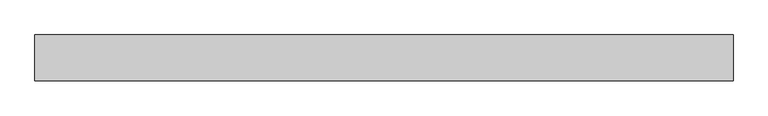
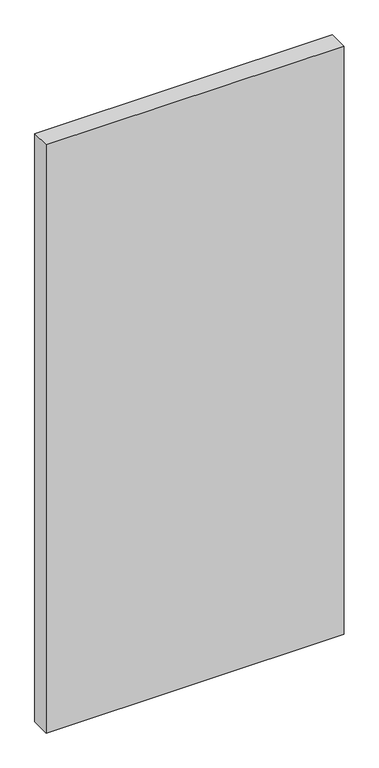
"""IFC4 building model written with IfcOpenShell, lengths in millimetres: proxy geometry."""

import ifcopenshell
import ifcopenshell.guid

model = None  # the IFC model being written
_history = None  # IfcOwnerHistory: only IFC2X3 demands one
_inside = {}  # id of a spatial element -> (the spatial element, [elements in it])
_under = {}  # id of a project, library or spatial element -> (it, [spatial elements below it])
_declared = {}  # id of a project -> (the project, [libraries it declares])
_typed = {}  # id of a type object -> (the type object, [elements of that type])
_made_of = {}  # id of a material, layer set ... -> (it, [elements and type objects made of it])


def new_model(schema):
    """Start an empty IFC model of exactly this schema.

    Asked for "IFC4X3", IfcOpenShell would pick the latest addendum, in which some entities
    have other attributes; the version numbers below select the first issue.
    IFC2X3 requires an IfcOwnerHistory on every rooted entity: one is made here for all.
    """
    global model, _history
    if schema == "IFC4X3":
        model = ifcopenshell.file(schema_version=(4, 3, 0, 0))
    else:
        model = ifcopenshell.file(schema=schema)
    _inside.clear()
    _under.clear()
    _declared.clear()
    _typed.clear()
    _made_of.clear()
    _history = None
    if model.schema == "IFC2X3":
        org = make("IfcOrganization", Name="unknown")
        user = make(
            "IfcPersonAndOrganization",
            ThePerson=make("IfcPerson", FamilyName="unknown"),
            TheOrganization=org,
        )
        app = make(
            "IfcApplication",
            ApplicationDeveloper=org,
            Version="unknown",
            ApplicationFullName="unknown",
            ApplicationIdentifier="unknown",
        )
        _history = make(
            "IfcOwnerHistory",
            OwningUser=user,
            OwningApplication=app,
            ChangeAction="ADDED",
            CreationDate=0,
        )
    return model


def make(cls, **values):
    """One entity of the class cls with the attributes given. An attribute that is None is left unset."""
    return model.create_entity(
        cls, **{name: value for name, value in values.items() if value is not None}
    )


def rooted(cls, **values):
    """An entity with a GlobalId (a new one), such as an element, a storey or a relation."""
    return make(cls, GlobalId=ifcopenshell.guid.new(), OwnerHistory=_history, **values)


def si_unit(unit_type, name, prefix=None):
    """IfcSIUnit, for example si_unit("LENGTHUNIT", "METRE", prefix="MILLI")."""
    return make("IfcSIUnit", UnitType=unit_type, Prefix=prefix, Name=name)


def assignment(units):
    """IfcUnitAssignment: the units of a project."""
    return None if units is None else make("IfcUnitAssignment", Units=units)


def point(xyz):
    """IfcCartesianPoint."""
    return None if xyz is None else make("IfcCartesianPoint", Coordinates=xyz)


def direction(xyz):
    """IfcDirection."""
    return None if xyz is None else make("IfcDirection", DirectionRatios=xyz)


def frame(location, z_axis=None, x_axis=None):
    """IfcAxis2Placement3D, a coordinate frame: its origin and axes. An axis left out is left unset."""
    return make(
        "IfcAxis2Placement3D",
        Location=point(location),
        Axis=direction(z_axis),
        RefDirection=direction(x_axis),
    )


def origin():
    """The frame at (0, 0, 0) with its axes left unset."""
    return frame((0.0, 0.0, 0.0))


def origin_with_axes():
    """The frame at (0, 0, 0) with the z axis (0, 0, 1) and the x axis (1, 0, 0) written out."""
    return frame((0.0, 0.0, 0.0), z_axis=(0.0, 0.0, 1.0), x_axis=(1.0, 0.0, 0.0))


def place(relative_to, where):
    """IfcLocalPlacement: puts the frame where relative to a parent placement (None: the world)."""
    return make(
        "IfcLocalPlacement", PlacementRelTo=relative_to, RelativePlacement=where
    )


def context(
    kind, dimensions, precision=None, world=None, true_north=None, identifier=None
):
    """IfcGeometricRepresentationContext, for example the 3D "Model" context."""
    return make(
        "IfcGeometricRepresentationContext",
        ContextIdentifier=identifier,
        ContextType=kind,
        CoordinateSpaceDimension=dimensions,
        Precision=precision,
        WorldCoordinateSystem=world,
        TrueNorth=true_north,
    )


def project(units=None, contexts=None):
    """IfcProject with its units and contexts."""
    return rooted(
        "IfcProject",
        Name="project",
        RepresentationContexts=contexts,
        UnitsInContext=assignment(units),
    )


def spatial(cls, under=None, at=None, **own):
    """A site, building, storey or space (cls), placed at a placement, below another one or the project."""
    s = rooted(cls, ObjectPlacement=at, **own)
    if under is not None:
        _under.setdefault(under.id(), (under, []))[1].append(s)
    return s


def polyline(points):
    """IfcPolyline through the points."""
    return make("IfcPolyline", Points=[point(p) for p in points])


def outline(outer, holes=None, kind="AREA"):
    """IfcArbitraryClosedProfileDef: a profile drawn as a closed curve; with holes, ...WithVoids."""
    if holes is None:
        return make("IfcArbitraryClosedProfileDef", ProfileType=kind, OuterCurve=outer)
    return make(
        "IfcArbitraryProfileDefWithVoids",
        ProfileType=kind,
        OuterCurve=outer,
        InnerCurves=holes,
    )


def extrude(swept, where, along, depth):
    """IfcExtrudedAreaSolid: the profile swept, set in the frame where, extruded along a direction by depth."""
    return make(
        "IfcExtrudedAreaSolid",
        SweptArea=swept,
        Position=where,
        ExtrudedDirection=direction(along),
        Depth=depth,
    )


def shape(context_of_items, identifier, shape_type, items):
    """IfcShapeRepresentation: the items that make up one representation, for example the "Body"."""
    return make(
        "IfcShapeRepresentation",
        ContextOfItems=context_of_items,
        RepresentationIdentifier=identifier,
        RepresentationType=shape_type,
        Items=items,
    )


def source(mapping_origin, context_of_items, identifier, shape_type, items):
    """IfcRepresentationMap: a shape defined once, which mapped items show again and again."""
    return make(
        "IfcRepresentationMap",
        MappingOrigin=mapping_origin,
        MappedRepresentation=shape(context_of_items, identifier, shape_type, items),
    )


def transform(
    local_origin,
    x_axis=None,
    y_axis=None,
    z_axis=None,
    scale=None,
    scale2=None,
    scale3=None,
    uniform=True,
):
    """IfcCartesianTransformationOperator3D, or its non-uniform kind. x_axis, y_axis, z_axis: its Axis1, 2, 3."""
    if uniform:
        return make(
            "IfcCartesianTransformationOperator3D",
            Axis1=direction(x_axis),
            Axis2=direction(y_axis),
            LocalOrigin=point(local_origin),
            Scale=scale,
            Axis3=direction(z_axis),
        )
    return make(
        "IfcCartesianTransformationOperator3DnonUniform",
        Axis1=direction(x_axis),
        Axis2=direction(y_axis),
        LocalOrigin=point(local_origin),
        Scale=scale,
        Axis3=direction(z_axis),
        Scale2=scale2,
        Scale3=scale3,
    )


def mapped(mapping_source, mapping_target):
    """IfcMappedItem: shows the shape of a source again, moved by a transform."""
    return make(
        "IfcMappedItem", MappingSource=mapping_source, MappingTarget=mapping_target
    )


def made_of(thing, what):
    """Note that an element or type object is made of a material, layer set ...; save() writes the relation."""
    if what is not None:
        _made_of.setdefault(what.id(), (what, []))[1].append(thing)
    return thing


def element(
    cls,
    number,
    at=None,
    inside=None,
    cuts=None,
    type_object=None,
    material=None,
    context=None,
    identifier="Body",
    shape_type=None,
    held_by="IfcProductDefinitionShape",
    body=None,
    shapes=None,
    **own,
):
    """One element of the class cls, such as IfcWall. Its Tag is "e" and its number.

    at: its placement. inside: the storey or other place that contains it. cuts: it is an
    opening in that element (IfcRelVoidsElement). A single representation is given by context,
    identifier, shape_type and body (its items); several are given by shapes. held_by: the class
    of the entity that holds the representations. save() writes the other relations.
    """
    e = rooted(cls, Tag="e%d" % number, ObjectPlacement=at, **own)
    if body is not None:
        shapes = [shape(context, identifier, shape_type, body)]
    if shapes is not None:
        e.Representation = make(held_by, Representations=shapes)
    if inside is not None:
        _inside.setdefault(inside.id(), (inside, []))[1].append(e)
    if cuts is not None:
        rooted(
            "IfcRelVoidsElement", RelatingBuildingElement=cuts, RelatedOpeningElement=e
        )
    if type_object is not None:
        _typed.setdefault(type_object.id(), (type_object, []))[1].append(e)
    return made_of(e, material)


def aggregate(whole, parts):
    """IfcRelAggregates: a whole, such as a stair, and the parts it consists of."""
    return rooted("IfcRelAggregates", RelatingObject=whole, RelatedObjects=parts)


def save(model, path):
    """Write the relations noted so far, then the file.

    IfcRelAggregates (storeys below a building ...), IfcRelContainedInSpatialStructure (elements
    in a storey), IfcRelDefinesByType, IfcRelAssociatesMaterial and IfcRelDeclares: one each for
    every whole, place, type object, material and project.
    """
    for whole, parts in _under.values():
        aggregate(whole, parts)
    for where, things in _inside.values():
        rooted(
            "IfcRelContainedInSpatialStructure",
            RelatedElements=things,
            RelatingStructure=where,
        )
    for kind, things in _typed.values():
        rooted("IfcRelDefinesByType", RelatedObjects=things, RelatingType=kind)
    for what, things in _made_of.values():
        rooted("IfcRelAssociatesMaterial", RelatedObjects=things, RelatingMaterial=what)
    for by, libraries in _declared.values():
        rooted("IfcRelDeclares", RelatingContext=by, RelatedDefinitions=libraries)
    model.write(path)


def generic_models_ccd8d099(model_context):
    return source(origin(), model_context, "Body", "SweptSolid", [
        extrude(outline(polyline([(520.0, 0.0), (-520.0, 0.0), (-520.0, 68.0), (520.0, 68.0), (520.0, 0.0)])), origin_with_axes(), (0.0, 0.0, 1.0), 2170.0),
    ])


if __name__ == "__main__":
    model = new_model("IFC4")
    model_context = context("Model", 3, world=origin())
    ifc_project = project(units=[si_unit("LENGTHUNIT", "METRE", prefix="MILLI")], contexts=[model_context])
    site = spatial("IfcSite", under=ifc_project)
    building = spatial("IfcBuilding", under=site)
    placement = place(None, origin())
    generic_models_shape = generic_models_ccd8d099(model_context)
    element("IfcBuildingElementProxy", 1, Name="Generic Models", at=placement, inside=building, context=model_context, shape_type="MappedRepresentation", body=[
        mapped(generic_models_shape, transform((0.0, 0.0, 0.0), x_axis=(1.0, 0.0, 0.0), y_axis=(0.0, 1.0, 0.0), z_axis=(0.0, 0.0, 1.0))),
    ])
    save(model, "model.ifc")
